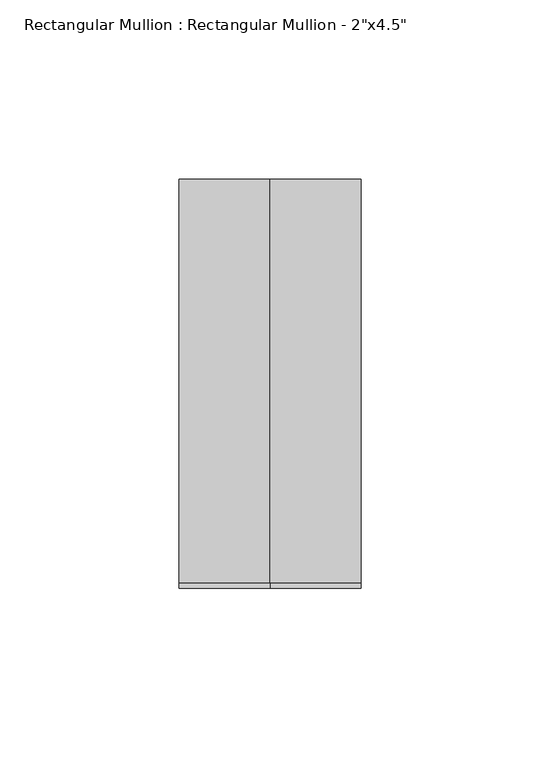
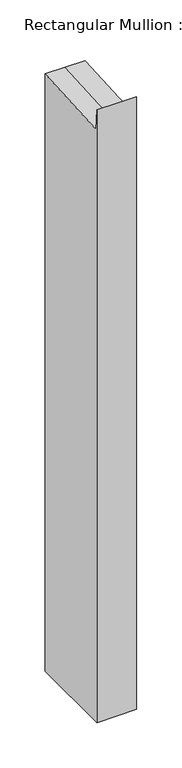
"""IFC4 building model written with IfcOpenShell, lengths in millimetres: member geometry."""

import ifcopenshell
import ifcopenshell.guid

model = None  # the IFC model being written
_history = None  # IfcOwnerHistory: only IFC2X3 demands one
_inside = {}  # id of a spatial element -> (the spatial element, [elements in it])
_under = {}  # id of a project, library or spatial element -> (it, [spatial elements below it])
_declared = {}  # id of a project -> (the project, [libraries it declares])
_typed = {}  # id of a type object -> (the type object, [elements of that type])
_made_of = {}  # id of a material, layer set ... -> (it, [elements and type objects made of it])


def new_model(schema):
    """Start an empty IFC model of exactly this schema.

    Asked for "IFC4X3", IfcOpenShell would pick the latest addendum, in which some entities
    have other attributes; the version numbers below select the first issue.
    IFC2X3 requires an IfcOwnerHistory on every rooted entity: one is made here for all.
    """
    global model, _history
    if schema == "IFC4X3":
        model = ifcopenshell.file(schema_version=(4, 3, 0, 0))
    else:
        model = ifcopenshell.file(schema=schema)
    _inside.clear()
    _under.clear()
    _declared.clear()
    _typed.clear()
    _made_of.clear()
    _history = None
    if model.schema == "IFC2X3":
        org = make("IfcOrganization", Name="unknown")
        user = make(
            "IfcPersonAndOrganization",
            ThePerson=make("IfcPerson", FamilyName="unknown"),
            TheOrganization=org,
        )
        app = make(
            "IfcApplication",
            ApplicationDeveloper=org,
            Version="unknown",
            ApplicationFullName="unknown",
            ApplicationIdentifier="unknown",
        )
        _history = make(
            "IfcOwnerHistory",
            OwningUser=user,
            OwningApplication=app,
            ChangeAction="ADDED",
            CreationDate=0,
        )
    return model


def make(cls, **values):
    """One entity of the class cls with the attributes given. An attribute that is None is left unset."""
    return model.create_entity(
        cls, **{name: value for name, value in values.items() if value is not None}
    )


def rooted(cls, **values):
    """An entity with a GlobalId (a new one), such as an element, a storey or a relation."""
    return make(cls, GlobalId=ifcopenshell.guid.new(), OwnerHistory=_history, **values)


def si_unit(unit_type, name, prefix=None):
    """IfcSIUnit, for example si_unit("LENGTHUNIT", "METRE", prefix="MILLI")."""
    return make("IfcSIUnit", UnitType=unit_type, Prefix=prefix, Name=name)


def assignment(units):
    """IfcUnitAssignment: the units of a project."""
    return None if units is None else make("IfcUnitAssignment", Units=units)


def point(xyz):
    """IfcCartesianPoint."""
    return None if xyz is None else make("IfcCartesianPoint", Coordinates=xyz)


def direction(xyz):
    """IfcDirection."""
    return None if xyz is None else make("IfcDirection", DirectionRatios=xyz)


def frame(location, z_axis=None, x_axis=None):
    """IfcAxis2Placement3D, a coordinate frame: its origin and axes. An axis left out is left unset."""
    return make(
        "IfcAxis2Placement3D",
        Location=point(location),
        Axis=direction(z_axis),
        RefDirection=direction(x_axis),
    )


def origin():
    """The frame at (0, 0, 0) with its axes left unset."""
    return frame((0.0, 0.0, 0.0))


def place(relative_to, where):
    """IfcLocalPlacement: puts the frame where relative to a parent placement (None: the world)."""
    return make(
        "IfcLocalPlacement", PlacementRelTo=relative_to, RelativePlacement=where
    )


def context(
    kind, dimensions, precision=None, world=None, true_north=None, identifier=None
):
    """IfcGeometricRepresentationContext, for example the 3D "Model" context."""
    return make(
        "IfcGeometricRepresentationContext",
        ContextIdentifier=identifier,
        ContextType=kind,
        CoordinateSpaceDimension=dimensions,
        Precision=precision,
        WorldCoordinateSystem=world,
        TrueNorth=true_north,
    )


def project(units=None, contexts=None):
    """IfcProject with its units and contexts."""
    return rooted(
        "IfcProject",
        Name="project",
        RepresentationContexts=contexts,
        UnitsInContext=assignment(units),
    )


def spatial(cls, under=None, at=None, **own):
    """A site, building, storey or space (cls), placed at a placement, below another one or the project."""
    s = rooted(cls, ObjectPlacement=at, **own)
    if under is not None:
        _under.setdefault(under.id(), (under, []))[1].append(s)
    return s


def faces_of(points, faces, orient=None, outer=None):
    """IfcFace entities. A face is a list of loops; a loop is a list of indices into points, from 0.

    orient and outer hold one flag for each loop. By default every Orientation is true, the
    first loop of a face is its IfcFaceOuterBound and the others are IfcFaceBound.
    """
    made = []
    for i, loops in enumerate(faces):
        bounds = []
        for j, loop in enumerate(loops):
            is_outer = j == 0 if outer is None else outer[i][j]
            bounds.append(
                make(
                    "IfcFaceOuterBound" if is_outer else "IfcFaceBound",
                    Bound=make("IfcPolyLoop", Polygon=[points[k] for k in loop]),
                    Orientation=True if orient is None else orient[i][j],
                )
            )
        made.append(make("IfcFace", Bounds=bounds))
    return made


def faceted_brep(points, faces, orient=None, outer=None, voids=None):
    """IfcFacetedBrep: a solid bounded by flat faces; with voids (closed shells), ...WithVoids."""
    shared = [point(p) for p in points]
    hull = make("IfcClosedShell", CfsFaces=faces_of(shared, faces, orient, outer))
    if voids is None:
        return make("IfcFacetedBrep", Outer=hull)
    return make(
        "IfcFacetedBrepWithVoids",
        Outer=hull,
        Voids=[
            make(cls, CfsFaces=faces_of(shared, fs, o, b)) for cls, fs, o, b in voids
        ],
    )


def shape(context_of_items, identifier, shape_type, items):
    """IfcShapeRepresentation: the items that make up one representation, for example the "Body"."""
    return make(
        "IfcShapeRepresentation",
        ContextOfItems=context_of_items,
        RepresentationIdentifier=identifier,
        RepresentationType=shape_type,
        Items=items,
    )


def source(mapping_origin, context_of_items, identifier, shape_type, items):
    """IfcRepresentationMap: a shape defined once, which mapped items show again and again."""
    return make(
        "IfcRepresentationMap",
        MappingOrigin=mapping_origin,
        MappedRepresentation=shape(context_of_items, identifier, shape_type, items),
    )


def transform(
    local_origin,
    x_axis=None,
    y_axis=None,
    z_axis=None,
    scale=None,
    scale2=None,
    scale3=None,
    uniform=True,
):
    """IfcCartesianTransformationOperator3D, or its non-uniform kind. x_axis, y_axis, z_axis: its Axis1, 2, 3."""
    if uniform:
        return make(
            "IfcCartesianTransformationOperator3D",
            Axis1=direction(x_axis),
            Axis2=direction(y_axis),
            LocalOrigin=point(local_origin),
            Scale=scale,
            Axis3=direction(z_axis),
        )
    return make(
        "IfcCartesianTransformationOperator3DnonUniform",
        Axis1=direction(x_axis),
        Axis2=direction(y_axis),
        LocalOrigin=point(local_origin),
        Scale=scale,
        Axis3=direction(z_axis),
        Scale2=scale2,
        Scale3=scale3,
    )


def mapped(mapping_source, mapping_target):
    """IfcMappedItem: shows the shape of a source again, moved by a transform."""
    return make(
        "IfcMappedItem", MappingSource=mapping_source, MappingTarget=mapping_target
    )


def made_of(thing, what):
    """Note that an element or type object is made of a material, layer set ...; save() writes the relation."""
    if what is not None:
        _made_of.setdefault(what.id(), (what, []))[1].append(thing)
    return thing


def element(
    cls,
    number,
    at=None,
    inside=None,
    cuts=None,
    type_object=None,
    material=None,
    context=None,
    identifier="Body",
    shape_type=None,
    held_by="IfcProductDefinitionShape",
    body=None,
    shapes=None,
    **own,
):
    """One element of the class cls, such as IfcWall. Its Tag is "e" and its number.

    at: its placement. inside: the storey or other place that contains it. cuts: it is an
    opening in that element (IfcRelVoidsElement). A single representation is given by context,
    identifier, shape_type and body (its items); several are given by shapes. held_by: the class
    of the entity that holds the representations. save() writes the other relations.
    """
    e = rooted(cls, Tag="e%d" % number, ObjectPlacement=at, **own)
    if body is not None:
        shapes = [shape(context, identifier, shape_type, body)]
    if shapes is not None:
        e.Representation = make(held_by, Representations=shapes)
    if inside is not None:
        _inside.setdefault(inside.id(), (inside, []))[1].append(e)
    if cuts is not None:
        rooted(
            "IfcRelVoidsElement", RelatingBuildingElement=cuts, RelatedOpeningElement=e
        )
    if type_object is not None:
        _typed.setdefault(type_object.id(), (type_object, []))[1].append(e)
    return made_of(e, material)


def aggregate(whole, parts):
    """IfcRelAggregates: a whole, such as a stair, and the parts it consists of."""
    return rooted("IfcRelAggregates", RelatingObject=whole, RelatedObjects=parts)


def save(model, path):
    """Write the relations noted so far, then the file.

    IfcRelAggregates (storeys below a building ...), IfcRelContainedInSpatialStructure (elements
    in a storey), IfcRelDefinesByType, IfcRelAssociatesMaterial and IfcRelDeclares: one each for
    every whole, place, type object, material and project.
    """
    for whole, parts in _under.values():
        aggregate(whole, parts)
    for where, things in _inside.values():
        rooted(
            "IfcRelContainedInSpatialStructure",
            RelatedElements=things,
            RelatingStructure=where,
        )
    for kind, things in _typed.values():
        rooted("IfcRelDefinesByType", RelatedObjects=things, RelatingType=kind)
    for what, things in _made_of.values():
        rooted("IfcRelAssociatesMaterial", RelatedObjects=things, RelatingMaterial=what)
    for by, libraries in _declared.values():
        rooted("IfcRelDeclares", RelatingContext=by, RelatedDefinitions=libraries)
    model.write(path)


def member_f45e8b3b(model_context):
    return source(origin(), model_context, "Body", "Brep", [
        faceted_brep([(25.4, 57.15, -801.813219), (25.4, -57.15, -801.813219), (-25.4, -57.15, -801.813219), (-25.4, 57.15, -801.813219), (-25.4, 57.15, 3.1720032), (0.0, 57.15, 3.1720032), (25.4, 57.15, 3.1720032), (-25.4, -57.15, 23.7952212), (-25.4, -55.6346001, -3.1670049), (25.4, -57.15, 23.7952212), (0.0, -57.15, 23.7952212), (25.4, -55.6346001, -3.1670049), (0.0, -55.6346001, -3.1670049)], [[[0, 1, 2, 3]], [[4, 5, 6, 0, 3]], [[7, 8, 4, 3, 2]], [[9, 10, 7, 2, 1]], [[6, 11, 9, 1, 0]], [[6, 5, 12, 11]], [[5, 4, 8, 12]], [[8, 7, 10, 12]], [[10, 9, 11, 12]]]),
    ])


if __name__ == "__main__":
    model = new_model("IFC4")
    model_context = context("Model", 3, world=origin())
    ifc_project = project(units=[si_unit("LENGTHUNIT", "METRE", prefix="MILLI")], contexts=[model_context])
    site = spatial("IfcSite", under=ifc_project)
    building = spatial("IfcBuilding", under=site)
    placement = place(None, origin())
    member_shape = member_f45e8b3b(model_context)
    element("IfcMember", 1, ObjectType="Rectangular Mullion : Rectangular Mullion - 2\"x4.5\"", at=placement, inside=building, context=model_context, shape_type="MappedRepresentation", body=[
        mapped(member_shape, transform((0.0, 0.0, 0.0), x_axis=(1.0, 0.0, 0.0), y_axis=(0.0, 1.0, 0.0), z_axis=(0.0, 0.0, 1.0))),
    ])
    save(model, "model.ifc")
